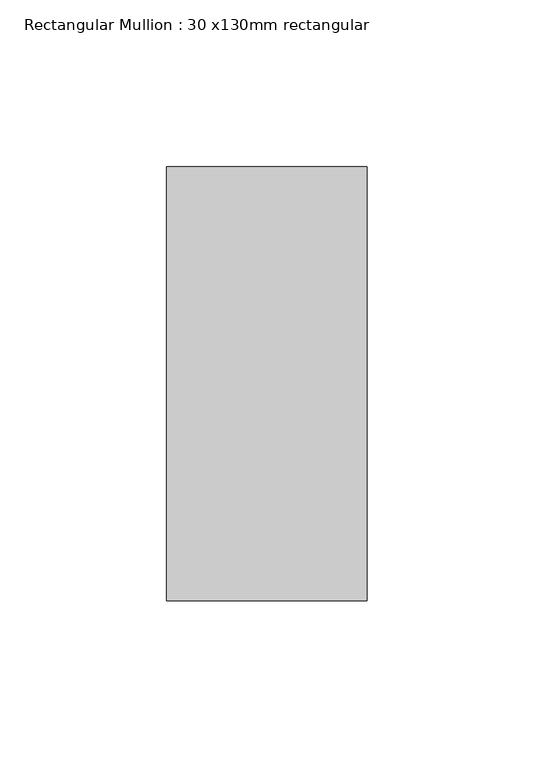
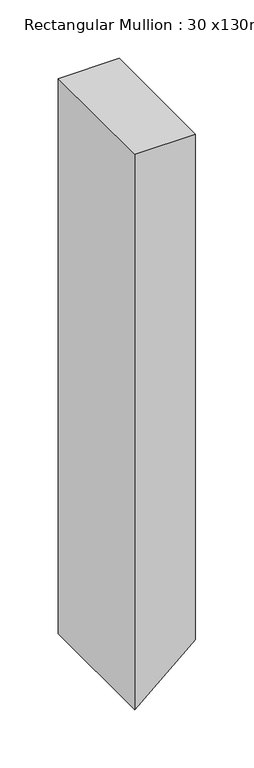
"""IFC4 building model written with IfcOpenShell, lengths in millimetres: member geometry, Rectangular Mullion : 30 x130mm rectangular."""

from ifc_helpers import new_model, si_unit, frame, origin, place, context, project, spatial, polyline, outline, extrude, source, transform, mapped, element, save


def rectangular_mullion_30_x130mm_rectangular_43ed3357(model_context):
    return source(origin(), model_context, "Body", "SweptSolid", [
        extrude(outline(polyline([(0.0, 30.0), (0.0, -30.0), (-579.4266528, -30.0), (-527.4651286, 30.0), (0.0, 30.0)])), frame((0.0, -65.0, 0.0), z_axis=(0.0, 1.0, 0.0), x_axis=(0.0, 0.0, 1.0)), (0.0, 0.0, 1.0), 130.0),
    ])


if __name__ == "__main__":
    model = new_model("IFC4")
    model_context = context("Model", 3, world=origin())
    ifc_project = project(units=[si_unit("LENGTHUNIT", "METRE", prefix="MILLI")], contexts=[model_context])
    site = spatial("IfcSite", under=ifc_project)
    building = spatial("IfcBuilding", under=site)
    placement = place(None, origin())
    rectangular_mullion_30_x130mm_rectangular_shape = rectangular_mullion_30_x130mm_rectangular_43ed3357(model_context)
    element("IfcMember", 1, ObjectType="Rectangular Mullion : 30 x130mm rectangular", at=placement, inside=building, context=model_context, shape_type="MappedRepresentation", body=[
        mapped(rectangular_mullion_30_x130mm_rectangular_shape, transform((0.0, 0.0, 0.0), x_axis=(1.0, 0.0, 0.0), y_axis=(0.0, 1.0, 0.0), z_axis=(0.0, 0.0, 1.0))),
    ])
    save(model, "model.ifc")
